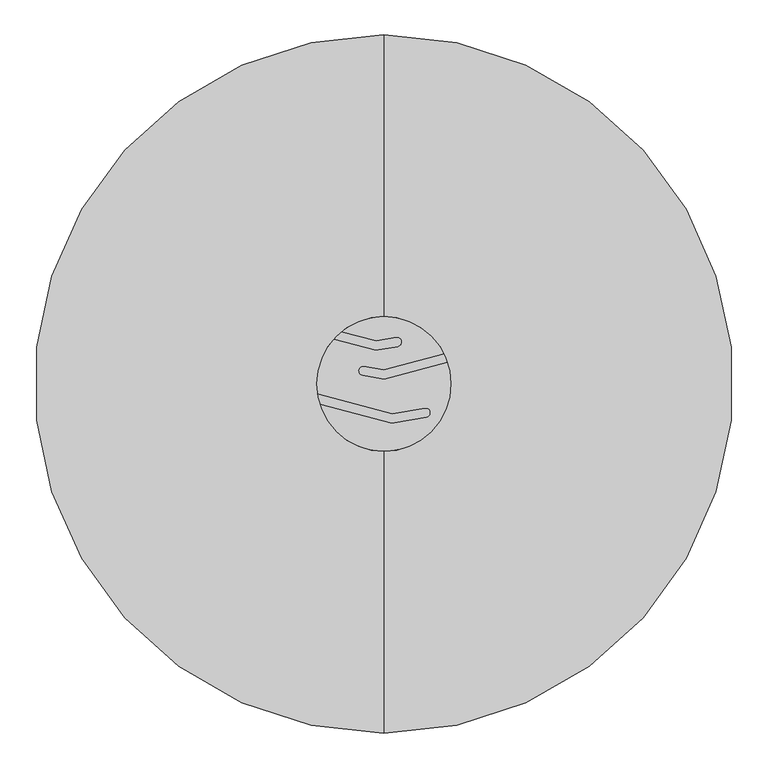
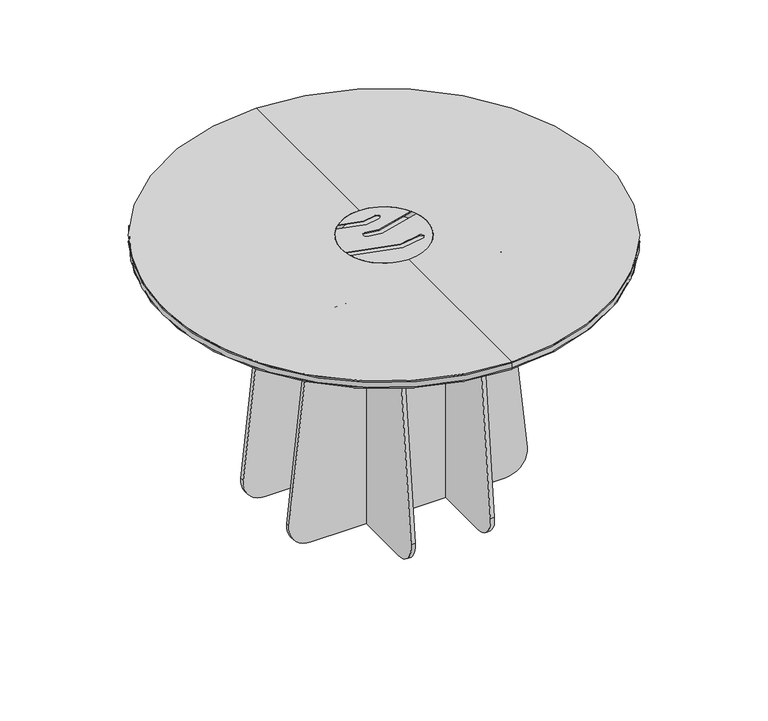
"""IFC4 building model written with IfcOpenShell, lengths in millimetres: furniture geometry."""

from ifc_helpers import new_model, si_unit, point, frame, frame_2d, origin, origin_2d, place, context, project, spatial, polyline, circle_curve, ellipse_curve, trimmed, segment, composite_curve, outline, extrude, source, transform, mapped, element, save
from ifc_brep_helpers import plane_surface, cylinder_surface, revolved_surface, advanced_brep


def furniture_d80e04c3(model_context):
    return source(origin(), model_context, "Body", "SolidModel", [
        extrude(outline(composite_curve([segment(trimmed(circle_curve(frame_2d((868.3873965, 196.2845895)), 8.5), [point((859.8873965, 196.2845895))], [point((868.3873965, 204.7845895))], False, "CARTESIAN"), True, "CONTINUOUS"), segment(polyline([(868.3873965, 204.7845895), (870.000378, 204.7845895), (870.000378, -204.7845895), (868.3873965, -204.7845895)]), True, "CONTINUOUS"), segment(trimmed(circle_curve(frame_2d((868.3873965, -196.2845895)), 8.5), [point((868.3873965, -204.7845895))], [point((859.8873965, -196.2845895))], False, "CARTESIAN"), True, "CONTINUOUS"), segment(polyline([(859.8873965, -196.2845895), (859.8873965, 196.2845895)]), True, "CONTINUOUS")], self_intersect=False)), frame((0.0, 242.5896085, 0.0), z_axis=(0.0, 1.0, 0.0), x_axis=(0.0, 0.0, 1.0)), (0.0, 0.0, 1.0), 40.0000216),
        extrude(outline(composite_curve([segment(trimmed(circle_curve(frame_2d((-196.2845895, 868.3873965)), 8.5), [point((-196.2845895, 859.8873965))], [point((-204.7845895, 868.3873965))], False, "CARTESIAN"), True, "CONTINUOUS"), segment(polyline([(-204.7845895, 868.3873965), (-204.7845895, 870.000378), (204.7845895, 870.000378), (204.7845895, 868.3873965)]), True, "CONTINUOUS"), segment(trimmed(circle_curve(frame_2d((196.2845895, 868.3873965)), 8.5), [point((204.7845895, 868.3873965))], [point((196.2845895, 859.8873965))], False, "CARTESIAN"), True, "CONTINUOUS"), segment(polyline([(196.2845895, 859.8873965), (-196.2845895, 859.8873965)]), True, "CONTINUOUS")], self_intersect=False)), frame((242.5896085, 0.0, 0.0), z_axis=(1.0, 0.0, 0.0), x_axis=(0.0, 1.0, 0.0)), (0.0, 0.0, 1.0), 40.0000216),
        extrude(outline(composite_curve([segment(trimmed(circle_curve(frame_2d((-196.2845895, 868.3873965)), 8.5), [point((-196.2845895, 859.8873965))], [point((-204.7845895, 868.3873965))], False, "CARTESIAN"), True, "CONTINUOUS"), segment(polyline([(-204.7845895, 868.3873965), (-204.7845895, 870.000378), (204.7845895, 870.000378), (204.7845895, 868.3873965)]), True, "CONTINUOUS"), segment(trimmed(circle_curve(frame_2d((196.2845895, 868.3873965)), 8.5), [point((204.7845895, 868.3873965))], [point((196.2845895, 859.8873965))], False, "CARTESIAN"), True, "CONTINUOUS"), segment(polyline([(196.2845895, 859.8873965), (-196.2845895, 859.8873965)]), True, "CONTINUOUS")], self_intersect=False)), frame((-282.5896301, 0.0, 0.0), z_axis=(1.0, 0.0, 0.0), x_axis=(0.0, 1.0, 0.0)), (0.0, 0.0, 1.0), 40.0000216),
        extrude(outline(composite_curve([segment(trimmed(circle_curve(frame_2d((868.3873965, 196.2845895)), 8.5), [point((859.8873965, 196.2845895))], [point((868.3873965, 204.7845895))], False, "CARTESIAN"), True, "CONTINUOUS"), segment(polyline([(868.3873965, 204.7845895), (870.000378, 204.7845895), (870.000378, -204.7845895), (868.3873965, -204.7845895)]), True, "CONTINUOUS"), segment(trimmed(circle_curve(frame_2d((868.3873965, -196.2845895)), 8.5), [point((868.3873965, -204.7845895))], [point((859.8873965, -196.2845895))], False, "CARTESIAN"), True, "CONTINUOUS"), segment(polyline([(859.8873965, -196.2845895), (859.8873965, 196.2845895)]), True, "CONTINUOUS")], self_intersect=False)), frame((0.0, -282.5896301, 0.0), z_axis=(0.0, 1.0, 0.0), x_axis=(0.0, 0.0, 1.0)), (0.0, 0.0, 1.0), 40.0000216),
        advanced_brep(
        [(-145.0, 0.0, 872.6632789), (145.0, 0.0, 872.6632789), (-145.0, 0.0, 900.0), (0.0, -145.0, 900.0), (145.0, 0.0, 900.0), (0.0, 145.0, 900.0), (0.0, -750.0, 877.5331539), (0.0, 750.0, 877.5331539), (0.0, 742.5, 870.0331539), (0.0, -742.5, 870.0331539), (0.0, -750.0, 895.0331674), (0.0, 750.0, 895.0331674), (0.0, -750.0, 900.0), (0.0, 750.0, 900.0), (0.0, 0.0, 870.0331539)],
        [
            (0, 1, circle_curve(frame((0.0, 0.0, 872.6632789), z_axis=(0.0, 0.0, 1.0), x_axis=(1.0, 0.0, 0.0)), 145.0)),
            (1, 0, circle_curve(frame((0.0, 0.0, 872.6632789), z_axis=(0.0, 0.0, 1.0), x_axis=(1.0, 0.0, 0.0)), 145.0)),
            (0, 2),
            (2, 3, circle_curve(frame((0.0, 0.0, 900.0), z_axis=(0.0, 0.0, 1.0), x_axis=(1.0, 0.0, 0.0)), 145.0)),
            (3, 4, circle_curve(frame((0.0, 0.0, 900.0), z_axis=(0.0, 0.0, 1.0), x_axis=(1.0, 0.0, 0.0)), 145.0)),
            (4, 1),
            (4, 5, circle_curve(frame((0.0, 0.0, 900.0), z_axis=(0.0, 0.0, 1.0), x_axis=(1.0, 0.0, 0.0)), 145.0)),
            (5, 2, circle_curve(frame((0.0, 0.0, 900.0), z_axis=(0.0, 0.0, 1.0), x_axis=(1.0, 0.0, 0.0)), 145.0)),
            (6, 7, circle_curve(frame((0.0, 0.0, 877.5331539), z_axis=(0.0, 0.0, -1.0), x_axis=(0.0, 1.0, 0.0)), 750.0)),
            (7, 8, circle_curve(frame((0.0, 742.5, 877.5331539), z_axis=(-1.0, 0.0, 0.0), x_axis=(0.0, -1.0, 0.0)), 7.5)),
            (8, 9, circle_curve(frame((0.0, 0.0, 870.0331539), z_axis=(0.0, 0.0, 1.0), x_axis=(0.0, 1.0, 0.0)), 742.5)),
            (9, 6, circle_curve(frame((0.0, -742.5, 877.5331539), z_axis=(-1.0, 0.0, 0.0), x_axis=(0.0, 1.0, 0.0)), 7.5)),
            (7, 6, circle_curve(frame((0.0, 0.0, 877.5331539), z_axis=(0.0, 0.0, -1.0), x_axis=(0.0, 1.0, 0.0)), 750.0)),
            (9, 8, circle_curve(frame((0.0, 0.0, 870.0331539), z_axis=(0.0, 0.0, 1.0), x_axis=(0.0, 1.0, 0.0)), 742.5)),
            (6, 10),
            (10, 11, circle_curve(frame((0.0, 0.0, 895.0331674), z_axis=(0.0, 0.0, -1.0), x_axis=(0.0, 1.0, 0.0)), 750.0)),
            (11, 7),
            (11, 10, circle_curve(frame((0.0, 0.0, 895.0331674), z_axis=(0.0, 0.0, -1.0), x_axis=(0.0, 1.0, 0.0)), 750.0)),
            (10, 12),
            (12, 13, circle_curve(frame((0.0, 0.0, 900.0), z_axis=(0.0, 0.0, -1.0), x_axis=(0.0, 1.0, 0.0)), 750.0)),
            (13, 11),
            (13, 12, circle_curve(frame((0.0, 0.0, 900.0), z_axis=(0.0, 0.0, -1.0), x_axis=(0.0, 1.0, 0.0)), 750.0)),
            (12, 3),
            (5, 13),
            (8, 14),
            (14, 9),
        ],
        [
            plane_surface(frame((145.0, 0.0, 872.6632789), z_axis=(0.0, 0.0, 1.0), x_axis=(0.0, -1.0, 0.0))),
            revolved_surface(polyline([(145.0, 0.0, 900.0), (145.0, 0.0, 872.6632789)]), (0.0, 0.0, 872.6632789), (0.0, 0.0, 1.0)),
            revolved_surface(trimmed(ellipse_curve(frame((0.0, 742.5, 877.5331539), z_axis=(1.0, 0.0, 0.0), x_axis=(0.0, -1.0, 0.0)), 7.5, 7.5), [point((0.0, 742.5, 870.0331539))], [point((0.0, 750.0, 877.5331539))], True, "CARTESIAN"), (0.0, 0.0, 1150.0), (0.0, 0.0, 1.0)),
            cylinder_surface(frame((0.0, 0.0, 1150.0), z_axis=(0.0, 0.0, 1.0), x_axis=(0.0, 1.0, 0.0)), 750.0),
            plane_surface(frame((0.0, 0.0, 900.0), z_axis=(0.0, 0.0, 1.0), x_axis=(0.0, 1.0, 0.0))),
            plane_surface(frame((0.0, 0.0, 870.0331539), z_axis=(0.0, 0.0, -1.0), x_axis=(0.0, 1.0, 0.0))),
        ],
        [
            (0, [[1, 2]]),
            (1, [[-1, 3, 4, 5, 6]]),
            (1, [[-2, -6, 7, 8, -3]]),
            (2, [[9, 10, 11, 12]]),
            (2, [[-10, 13, -12, 14]]),
            (3, [[-9, 15, 16, 17]]),
            (3, [[-13, -17, 18, -15]]),
            (3, [[-16, 19, 20, 21]]),
            (3, [[-18, -21, 22, -19]]),
            (4, [[-20, 23, -4, -8, 24]]),
            (4, [[-22, -24, -7, -5, -23]]),
            (5, [[-11, 25, 26]]),
            (5, [[-14, -26, -25]]),
        ],
    ),
        extrude(outline(composite_curve([segment(trimmed(circle_curve(origin_2d(), 145.0), [point((-143.4635973, -21.0522268))], [point((-108.3690688, 96.338699))], False, "CARTESIAN"), True, "CONTINUOUS"), segment(polyline([(-108.3690688, 96.338699), (-17.217028, 71.9145833), (30.2144383, 80.2780306)]), True, "CONTINUOUS"), segment(trimmed(circle_curve(frame_2d((28.4779566, 90.1261081)), 10.0), [point((30.2144383, 80.2780306))], [point((26.7414748, 99.9741856))], True, "CARTESIAN"), True, "CONTINUOUS"), segment(polyline([(26.7414748, 99.9741856), (-16.3234591, 92.3806759), (-91.463255, 112.5143235)]), True, "CONTINUOUS"), segment(trimmed(circle_curve(origin_2d(), 145.0), [point((-91.463255, 112.5143235))], [point((129.5098534, 65.2088788))], False, "CARTESIAN"), True, "CONTINUOUS"), segment(polyline([(129.5098534, 65.2088788), (0.0, 30.5068182), (-43.0649339, 38.1003279)]), True, "CONTINUOUS"), segment(trimmed(circle_curve(frame_2d((-44.8014157, 28.2522504)), 10.0), [point((-43.0649339, 38.1003279))], [point((-46.5378975, 18.4041729))], True, "CARTESIAN"), True, "CONTINUOUS"), segment(polyline([(-46.5378975, 18.4041729), (0.8935689, 10.0407256), (137.3100639, 46.5934153)]), True, "CONTINUOUS"), segment(trimmed(circle_curve(origin_2d(), 145.0), [point((137.3100639, 46.5934153))], [point((-138.4456235, -43.1023124))], False, "CARTESIAN"), True, "CONTINUOUS"), segment(polyline([(-138.4456235, -43.1023124), (16.9662998, -84.7448118), (91.5378975, -71.5958271)]), True, "CONTINUOUS"), segment(trimmed(circle_curve(frame_2d((89.8014157, -61.7477496)), 10.0), [point((91.5378975, -71.5958271))], [point((88.0649339, -51.8996721))], True, "CARTESIAN"), True, "CONTINUOUS"), segment(polyline([(88.0649339, -51.8996721), (17.8598687, -64.2787192), (-143.4635973, -21.0522268)]), True, "CONTINUOUS")], self_intersect=False)), frame((0.0, 0.0, 897.525898), z_axis=(0.0, 0.0, 1.0), x_axis=(1.0, 0.0, 0.0)), (0.0, 0.0, 1.0), 2.474102),
        extrude(outline(composite_curve([segment(trimmed(circle_curve(frame_2d((328.9885604, 75.0)), 75.0), [point((403.5717494, 82.8960696))], [point((328.9885604, 0.0))], False, "CARTESIAN"), True, "CONTINUOUS"), segment(polyline([(328.9885604, 0.0), (-328.9885604, 0.0)]), True, "CONTINUOUS"), segment(trimmed(circle_curve(frame_2d((-328.9885604, 75.0)), 75.0), [point((-328.9885604, 0.0))], [point((-403.5717494, 82.8960696))], False, "CARTESIAN"), True, "CONTINUOUS"), segment(polyline([(-403.5717494, 82.8960696), (-320.2415717, 870.000378), (320.2415717, 870.000378), (403.5717494, 82.8960696)]), True, "CONTINUOUS")], self_intersect=False)), frame((127.6465142, 0.0, 0.0), z_axis=(1.0, 0.0, 0.0), x_axis=(0.0, 1.0, 0.0)), (0.0, 0.0, 1.0), 13.4999997),
        extrude(outline(composite_curve([segment(trimmed(circle_curve(frame_2d((328.9885604, 75.0)), 75.0), [point((403.5717494, 82.8960696))], [point((328.9885604, 0.0))], False, "CARTESIAN"), True, "CONTINUOUS"), segment(polyline([(328.9885604, 0.0), (-328.9885604, 0.0)]), True, "CONTINUOUS"), segment(trimmed(circle_curve(frame_2d((-328.9885604, 75.0)), 75.0), [point((-328.9885604, 0.0))], [point((-403.5717494, 82.8960696))], False, "CARTESIAN"), True, "CONTINUOUS"), segment(polyline([(-403.5717494, 82.8960696), (-320.2415717, 870.000378), (320.2415717, 870.000378), (403.5717494, 82.8960696)]), True, "CONTINUOUS")], self_intersect=False)), frame((-141.1465138, 0.0, 0.0), z_axis=(1.0, 0.0, 0.0), x_axis=(0.0, 1.0, 0.0)), (0.0, 0.0, 1.0), 13.4999997),
        extrude(outline(composite_curve([segment(trimmed(circle_curve(frame_2d((75.0, -328.9885604)), 75.0), [point((82.8960696, -403.5717494))], [point((0.0, -328.9885604))], False, "CARTESIAN"), True, "CONTINUOUS"), segment(polyline([(0.0, -328.9885604), (0.0, 328.9885604)]), True, "CONTINUOUS"), segment(trimmed(circle_curve(frame_2d((75.0, 328.9885604)), 75.0), [point((0.0, 328.9885604))], [point((82.8960696, 403.5717494))], False, "CARTESIAN"), True, "CONTINUOUS"), segment(polyline([(82.8960696, 403.5717494), (870.000378, 320.2415717), (870.000378, -320.2415717), (82.8960696, -403.5717494)]), True, "CONTINUOUS")], self_intersect=False)), frame((0.0, 127.6465142, 0.0), z_axis=(0.0, 1.0, 0.0), x_axis=(0.0, 0.0, 1.0)), (0.0, 0.0, 1.0), 13.4999997),
        extrude(outline(composite_curve([segment(trimmed(circle_curve(frame_2d((75.0, -328.9885604)), 75.0), [point((82.8960696, -403.5717494))], [point((0.0, -328.9885604))], False, "CARTESIAN"), True, "CONTINUOUS"), segment(polyline([(0.0, -328.9885604), (0.0, 328.9885604)]), True, "CONTINUOUS"), segment(trimmed(circle_curve(frame_2d((75.0, 328.9885604)), 75.0), [point((0.0, 328.9885604))], [point((82.8960696, 403.5717494))], False, "CARTESIAN"), True, "CONTINUOUS"), segment(polyline([(82.8960696, 403.5717494), (870.000378, 320.2415717), (870.000378, -320.2415717), (82.8960696, -403.5717494)]), True, "CONTINUOUS")], self_intersect=False)), frame((0.0, -141.1465138, 0.0), z_axis=(0.0, 1.0, 0.0), x_axis=(0.0, 0.0, 1.0)), (0.0, 0.0, 1.0), 13.4999997),
    ])


if __name__ == "__main__":
    model = new_model("IFC4")
    model_context = context("Model", 3, world=origin())
    ifc_project = project(units=[si_unit("LENGTHUNIT", "METRE", prefix="MILLI")], contexts=[model_context])
    site = spatial("IfcSite", under=ifc_project)
    building = spatial("IfcBuilding", under=site)
    placement = place(None, origin())
    furniture_shape = furniture_d80e04c3(model_context)
    element("IfcFurniture", 1, at=placement, inside=building, context=model_context, shape_type="MappedRepresentation", body=[
        mapped(furniture_shape, transform((0.0, 0.0, 0.0), x_axis=(1.0, 0.0, 0.0), y_axis=(0.0, 1.0, 0.0), z_axis=(0.0, 0.0, 1.0))),
    ])
    save(model, "model.ifc")
